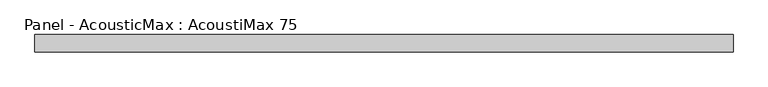
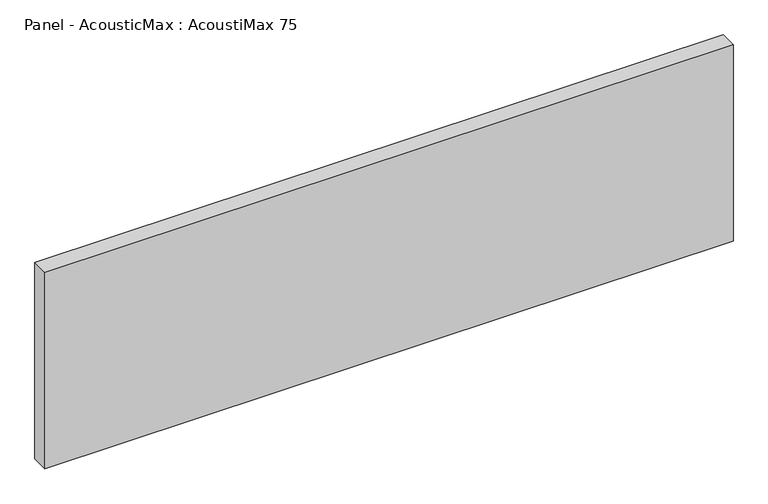
"""IFC4 building model written with IfcOpenShell, lengths in millimetres: plate geometry, Panel - AcousticMax : AcoustiMax 75."""

from ifc_helpers import new_model, si_unit, origin, origin_with_axes, place, context, project, spatial, polyline, outline, extrude, source, transform, mapped, element, save


def panel_acousticmax_acoustimax_75_bc6b1524(model_context):
    return source(origin(), model_context, "Body", "SweptSolid", [
        extrude(outline(polyline([(1491.0, 37.5), (1491.0, -37.5), (-1490.5, -37.5), (-1490.5, 37.5), (1491.0, 37.5)])), origin_with_axes(), (0.0, 0.0, 1.0), 900.0),
    ])


if __name__ == "__main__":
    model = new_model("IFC4")
    model_context = context("Model", 3, world=origin())
    ifc_project = project(units=[si_unit("LENGTHUNIT", "METRE", prefix="MILLI")], contexts=[model_context])
    site = spatial("IfcSite", under=ifc_project)
    building = spatial("IfcBuilding", under=site)
    placement = place(None, origin())
    panel_acousticmax_acoustimax_75_shape = panel_acousticmax_acoustimax_75_bc6b1524(model_context)
    element("IfcPlate", 1, ObjectType="Panel - AcousticMax : AcoustiMax 75", at=placement, inside=building, context=model_context, shape_type="MappedRepresentation", body=[
        mapped(panel_acousticmax_acoustimax_75_shape, transform((0.0, 0.0, 0.0), x_axis=(1.0, 0.0, 0.0), y_axis=(0.0, 1.0, 0.0), z_axis=(0.0, 0.0, 1.0))),
    ])
    save(model, "model.ifc")
